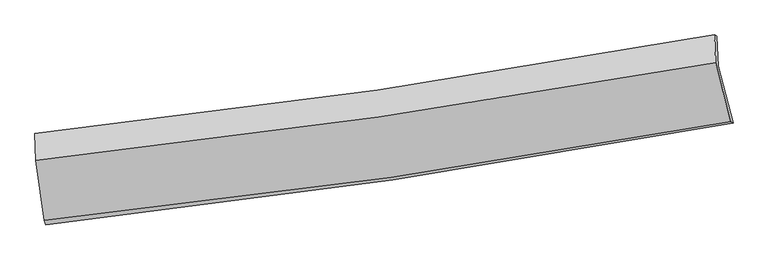
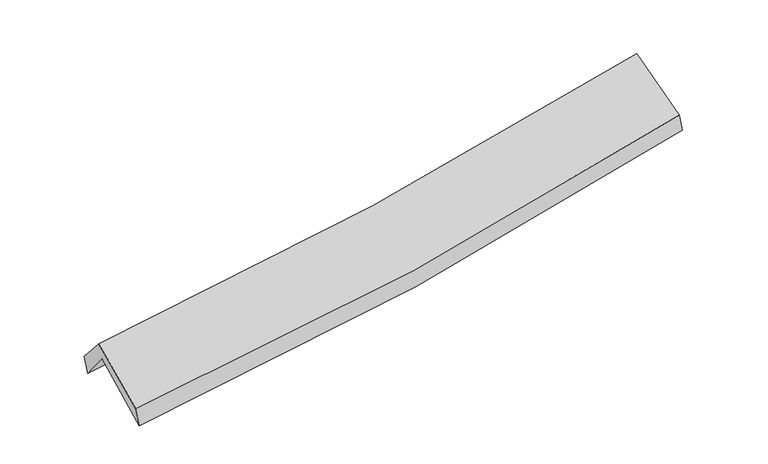
"""IFC4 building model written with IfcOpenShell, lengths in millimetres: proxy geometry."""

import ifcopenshell
import ifcopenshell.guid

model = None  # the IFC model being written
_history = None  # IfcOwnerHistory: only IFC2X3 demands one
_inside = {}  # id of a spatial element -> (the spatial element, [elements in it])
_under = {}  # id of a project, library or spatial element -> (it, [spatial elements below it])
_declared = {}  # id of a project -> (the project, [libraries it declares])
_typed = {}  # id of a type object -> (the type object, [elements of that type])
_made_of = {}  # id of a material, layer set ... -> (it, [elements and type objects made of it])


def new_model(schema):
    """Start an empty IFC model of exactly this schema.

    Asked for "IFC4X3", IfcOpenShell would pick the latest addendum, in which some entities
    have other attributes; the version numbers below select the first issue.
    IFC2X3 requires an IfcOwnerHistory on every rooted entity: one is made here for all.
    """
    global model, _history
    if schema == "IFC4X3":
        model = ifcopenshell.file(schema_version=(4, 3, 0, 0))
    else:
        model = ifcopenshell.file(schema=schema)
    _inside.clear()
    _under.clear()
    _declared.clear()
    _typed.clear()
    _made_of.clear()
    _history = None
    if model.schema == "IFC2X3":
        org = make("IfcOrganization", Name="unknown")
        user = make(
            "IfcPersonAndOrganization",
            ThePerson=make("IfcPerson", FamilyName="unknown"),
            TheOrganization=org,
        )
        app = make(
            "IfcApplication",
            ApplicationDeveloper=org,
            Version="unknown",
            ApplicationFullName="unknown",
            ApplicationIdentifier="unknown",
        )
        _history = make(
            "IfcOwnerHistory",
            OwningUser=user,
            OwningApplication=app,
            ChangeAction="ADDED",
            CreationDate=0,
        )
    return model


def make(cls, **values):
    """One entity of the class cls with the attributes given. An attribute that is None is left unset."""
    return model.create_entity(
        cls, **{name: value for name, value in values.items() if value is not None}
    )


def rooted(cls, **values):
    """An entity with a GlobalId (a new one), such as an element, a storey or a relation."""
    return make(cls, GlobalId=ifcopenshell.guid.new(), OwnerHistory=_history, **values)


def si_unit(unit_type, name, prefix=None):
    """IfcSIUnit, for example si_unit("LENGTHUNIT", "METRE", prefix="MILLI")."""
    return make("IfcSIUnit", UnitType=unit_type, Prefix=prefix, Name=name)


def assignment(units):
    """IfcUnitAssignment: the units of a project."""
    return None if units is None else make("IfcUnitAssignment", Units=units)


def point(xyz):
    """IfcCartesianPoint."""
    return None if xyz is None else make("IfcCartesianPoint", Coordinates=xyz)


def direction(xyz):
    """IfcDirection."""
    return None if xyz is None else make("IfcDirection", DirectionRatios=xyz)


def frame(location, z_axis=None, x_axis=None):
    """IfcAxis2Placement3D, a coordinate frame: its origin and axes. An axis left out is left unset."""
    return make(
        "IfcAxis2Placement3D",
        Location=point(location),
        Axis=direction(z_axis),
        RefDirection=direction(x_axis),
    )


def origin():
    """The frame at (0, 0, 0) with its axes left unset."""
    return frame((0.0, 0.0, 0.0))


def place(relative_to, where):
    """IfcLocalPlacement: puts the frame where relative to a parent placement (None: the world)."""
    return make(
        "IfcLocalPlacement", PlacementRelTo=relative_to, RelativePlacement=where
    )


def context(
    kind, dimensions, precision=None, world=None, true_north=None, identifier=None
):
    """IfcGeometricRepresentationContext, for example the 3D "Model" context."""
    return make(
        "IfcGeometricRepresentationContext",
        ContextIdentifier=identifier,
        ContextType=kind,
        CoordinateSpaceDimension=dimensions,
        Precision=precision,
        WorldCoordinateSystem=world,
        TrueNorth=true_north,
    )


def project(units=None, contexts=None):
    """IfcProject with its units and contexts."""
    return rooted(
        "IfcProject",
        Name="project",
        RepresentationContexts=contexts,
        UnitsInContext=assignment(units),
    )


def spatial(cls, under=None, at=None, **own):
    """A site, building, storey or space (cls), placed at a placement, below another one or the project."""
    s = rooted(cls, ObjectPlacement=at, **own)
    if under is not None:
        _under.setdefault(under.id(), (under, []))[1].append(s)
    return s


def shape(context_of_items, identifier, shape_type, items):
    """IfcShapeRepresentation: the items that make up one representation, for example the "Body"."""
    return make(
        "IfcShapeRepresentation",
        ContextOfItems=context_of_items,
        RepresentationIdentifier=identifier,
        RepresentationType=shape_type,
        Items=items,
    )


def source(mapping_origin, context_of_items, identifier, shape_type, items):
    """IfcRepresentationMap: a shape defined once, which mapped items show again and again."""
    return make(
        "IfcRepresentationMap",
        MappingOrigin=mapping_origin,
        MappedRepresentation=shape(context_of_items, identifier, shape_type, items),
    )


def transform(
    local_origin,
    x_axis=None,
    y_axis=None,
    z_axis=None,
    scale=None,
    scale2=None,
    scale3=None,
    uniform=True,
):
    """IfcCartesianTransformationOperator3D, or its non-uniform kind. x_axis, y_axis, z_axis: its Axis1, 2, 3."""
    if uniform:
        return make(
            "IfcCartesianTransformationOperator3D",
            Axis1=direction(x_axis),
            Axis2=direction(y_axis),
            LocalOrigin=point(local_origin),
            Scale=scale,
            Axis3=direction(z_axis),
        )
    return make(
        "IfcCartesianTransformationOperator3DnonUniform",
        Axis1=direction(x_axis),
        Axis2=direction(y_axis),
        LocalOrigin=point(local_origin),
        Scale=scale,
        Axis3=direction(z_axis),
        Scale2=scale2,
        Scale3=scale3,
    )


def mapped(mapping_source, mapping_target):
    """IfcMappedItem: shows the shape of a source again, moved by a transform."""
    return make(
        "IfcMappedItem", MappingSource=mapping_source, MappingTarget=mapping_target
    )


def made_of(thing, what):
    """Note that an element or type object is made of a material, layer set ...; save() writes the relation."""
    if what is not None:
        _made_of.setdefault(what.id(), (what, []))[1].append(thing)
    return thing


def element(
    cls,
    number,
    at=None,
    inside=None,
    cuts=None,
    type_object=None,
    material=None,
    context=None,
    identifier="Body",
    shape_type=None,
    held_by="IfcProductDefinitionShape",
    body=None,
    shapes=None,
    **own,
):
    """One element of the class cls, such as IfcWall. Its Tag is "e" and its number.

    at: its placement. inside: the storey or other place that contains it. cuts: it is an
    opening in that element (IfcRelVoidsElement). A single representation is given by context,
    identifier, shape_type and body (its items); several are given by shapes. held_by: the class
    of the entity that holds the representations. save() writes the other relations.
    """
    e = rooted(cls, Tag="e%d" % number, ObjectPlacement=at, **own)
    if body is not None:
        shapes = [shape(context, identifier, shape_type, body)]
    if shapes is not None:
        e.Representation = make(held_by, Representations=shapes)
    if inside is not None:
        _inside.setdefault(inside.id(), (inside, []))[1].append(e)
    if cuts is not None:
        rooted(
            "IfcRelVoidsElement", RelatingBuildingElement=cuts, RelatedOpeningElement=e
        )
    if type_object is not None:
        _typed.setdefault(type_object.id(), (type_object, []))[1].append(e)
    return made_of(e, material)


def aggregate(whole, parts):
    """IfcRelAggregates: a whole, such as a stair, and the parts it consists of."""
    return rooted("IfcRelAggregates", RelatingObject=whole, RelatedObjects=parts)


def save(model, path):
    """Write the relations noted so far, then the file.

    IfcRelAggregates (storeys below a building ...), IfcRelContainedInSpatialStructure (elements
    in a storey), IfcRelDefinesByType, IfcRelAssociatesMaterial and IfcRelDeclares: one each for
    every whole, place, type object, material and project.
    """
    for whole, parts in _under.values():
        aggregate(whole, parts)
    for where, things in _inside.values():
        rooted(
            "IfcRelContainedInSpatialStructure",
            RelatedElements=things,
            RelatingStructure=where,
        )
    for kind, things in _typed.values():
        rooted("IfcRelDefinesByType", RelatedObjects=things, RelatingType=kind)
    for what, things in _made_of.values():
        rooted("IfcRelAssociatesMaterial", RelatedObjects=things, RelatingMaterial=what)
    for by, libraries in _declared.values():
        rooted("IfcRelDeclares", RelatingContext=by, RelatedDefinitions=libraries)
    model.write(path)


def plane_surface(at):
    """IfcPlane: the flat surface through the origin of the frame at, square to its z axis."""
    return make("IfcPlane", Position=at)


def spline_curve(degree, points, multiplicities, knots, weights=None):
    """IfcBSplineCurveWithKnots; with weights, IfcRationalBSplineCurveWithKnots."""
    own = dict(
        Degree=degree,
        ControlPointsList=[point(p) for p in points],
        CurveForm="UNSPECIFIED",
        ClosedCurve=False,
        SelfIntersect=False,
        KnotMultiplicities=multiplicities,
        Knots=knots,
        KnotSpec="UNSPECIFIED",
    )
    if weights is None:
        return make("IfcBSplineCurveWithKnots", **own)
    return make("IfcRationalBSplineCurveWithKnots", WeightsData=weights, **own)


def spline_surface(u_degree, v_degree, points, u_multiplicities, v_multiplicities, u_knots, v_knots, weights=None):
    """IfcBSplineSurfaceWithKnots; with weights, IfcRationalBSplineSurfaceWithKnots. points: one row for each step in u."""
    own = dict(
        UDegree=u_degree,
        VDegree=v_degree,
        ControlPointsList=[[point(p) for p in row] for row in points],
        SurfaceForm="UNSPECIFIED",
        UClosed=False,
        VClosed=False,
        SelfIntersect=False,
        UMultiplicities=u_multiplicities,
        VMultiplicities=v_multiplicities,
        UKnots=u_knots,
        VKnots=v_knots,
        KnotSpec="UNSPECIFIED",
    )
    if weights is None:
        return make("IfcBSplineSurfaceWithKnots", **own)
    return make("IfcRationalBSplineSurfaceWithKnots", WeightsData=weights, **own)


def advanced_brep(points, edges, surfaces, faces):
    """IfcAdvancedBrep: a solid bounded by faces that lie on surfaces and meet in shared edges.

    An edge is (start, end): straight between two places in points (the first is 0);
    or (start, end, curve); or (start, end, curve, False) where it runs against its curve.
    A face is (place in surfaces, loops), or (place, loops, False) where it looks against
    its surface's normal. A loop lists edges by number (the first is 1), with a minus sign
    where the edge is run from its end to its start. The first loop is the outer one.
    """
    corners = [point(p) for p in points]
    vertices = [make("IfcVertexPoint", VertexGeometry=c) for c in corners]
    made = []
    for start, end, *more in edges:
        made.append(
            make(
                "IfcEdgeCurve",
                EdgeStart=vertices[start],
                EdgeEnd=vertices[end],
                EdgeGeometry=more[0] if more else make("IfcPolyline", Points=[corners[start], corners[end]]),
                SameSense=more[1] if len(more) > 1 else True,
            )
        )
    hull = []
    for where, loops, *sense in faces:
        bounds = []
        for j, loop in enumerate(loops):
            ring = [make("IfcOrientedEdge", EdgeElement=made[abs(k) - 1], Orientation=k > 0) for k in loop]
            bounds.append(
                make(
                    "IfcFaceOuterBound" if j == 0 else "IfcFaceBound",
                    Bound=make("IfcEdgeLoop", EdgeList=ring),
                    Orientation=True,
                )
            )
        hull.append(make("IfcAdvancedFace", Bounds=bounds, FaceSurface=surfaces[where], SameSense=sense[0] if sense else True))
    return make("IfcAdvancedBrep", Outer=make("IfcClosedShell", CfsFaces=hull))


def generic_models_076fa959(model_context):
    return source(origin(), model_context, "Body", "AdvancedBrep", [
        advanced_brep(
        [(-2961.4910819, -2524.5449511, 1464.1951207), (-3036.4526266, -2005.0081737, 1893.1238993), (2958.6679422, -1125.7206464, 2404.4068986), (3090.6971606, -1625.7869985, 1989.8446532), (-3044.985645, -1759.301633, 1594.0224191), (2947.9296265, -861.7855413, 2097.1469763), (-3057.6805652, -1719.9284726, 1757.3182037), (2927.4477668, -849.3924854, 2261.0086798), (-3048.6935058, -1959.2735096, 2036.0896265), (2937.3524276, -1092.8373392, 2544.4148862), (-2974.0426687, -2485.5081265, 1625.4453929), (3070.6349135, -1612.5299164, 2148.6419745)],
        [
            (0, 1),
            (1, 2, spline_curve(3, [(-3036.4526266, -2005.0081737, 1893.1238993), (-2025.848085105, -1886.262133436, 1943.157265991), (-1018.791504698, -1753.234013093, 2011.043903816), (979.520731176, -1459.891463457, 2181.779965913), (1970.837673624, -1299.823741482, 2284.320994428), (2958.6679422, -1125.7206464, 2404.4068986)], [4, 2, 4], [0.0, 10.072177205413784, 20.056982625145306])),
            (2, 3),
            (3, 0, spline_curve(3, [(3090.6971606, -1625.7869985, 1989.8446532), (2096.503743607, -1811.150336745, 1855.98714691), (1097.277070441, -1978.481135957, 1745.343518269), (-920.030537986, -2278.38408727, 1569.718965123), (-1938.199945957, -2410.639272191, 1505.146082895), (-2961.4910819, -2524.5449511, 1464.1951207)], [4, 2, 4], [0.0, 9.984805419731522, 20.056982625145306])),
            (1, 4),
            (4, 5, spline_curve(3, [(-3044.985645, -1759.301633, 1594.0224191), (-2033.971986974, -1635.677776242, 1632.02002803), (-1026.897118639, -1498.689061509, 1693.229195764), (970.67326675, -1199.286167779, 1861.338335506), (1961.2368224, -1037.102852139, 1967.837353585), (2947.9296265, -861.7855413, 2097.1469763)], [4, 2, 4], [0.0, 10.021888636094298, 19.95684171811855])),
            (5, 2),
            (4, 6),
            (6, 7, spline_curve(3, [(-3057.6805652, -1719.9284726, 1757.3182037), (-2048.105404719, -1610.364819144, 1807.291026748), (-1042.401229196, -1482.643554721, 1874.509290354), (952.574681301, -1192.151240098, 2042.704011309), (1941.913283141, -1029.69384207, 2143.382573251), (2927.4477668, -849.3924854, 2261.0086798)], [4, 2, 4], [0.0, 10.012468237774451, 19.9380826393643])),
            (7, 5),
            (6, 8),
            (8, 9, spline_curve(3, [(-3048.6935058, -1959.2735096, 2036.0896265), (-2039.023220464, -1848.987961127, 2085.297022227), (-1033.19455553, -1721.251956028, 2152.523843129), (962.087729215, -1432.138461804, 2322.276862111), (1951.607708682, -1271.062410146, 2424.491794243), (2937.3524276, -1092.8373392, 2544.4148862)], [4, 2, 4], [0.0, 10.003382016104988, 19.919989015072755])),
            (9, 7),
            (8, 10),
            (10, 11, spline_curve(3, [(-2974.0426687, -2485.5081265, 1625.4453929), (-1952.347865998, -2378.980252994, 1669.570030727), (-935.604500813, -2252.564970502, 1735.516641), (1079.202496177, -1961.228701134, 1910.292451865), (2077.351658234, -1796.651246666, 2018.744702292), (3070.6349135, -1612.5299164, 2148.6419745)], [4, 2, 4], [0.0, 10.054031280898865, 20.020848184170887])),
            (11, 9),
            (10, 0),
            (3, 11),
        ],
        [
            spline_surface(3, 3, [[(-2961.4910819, -2524.5449511, 1464.1951207), (-1938.199945964, -2410.639272356, 1505.146082745), (-920.030538122, -2278.384087363, 1569.718965082), (1097.277070576, -1978.481135865, 1745.34351831), (2096.503743525, -1811.150336632, 1855.987146816), (3090.6971606, -1625.7869985, 1989.8446532)], [(-2986.47826347, -2351.366025319, 1607.17138022), (-1967.415992399, -2235.846892768, 1651.149810486), (-952.950860327, -2103.334062564, 1716.827278056), (1058.024957428, -1805.61791174, 1890.822334157), (2054.61505351, -1640.708138306, 1998.765095966), (3046.687421119, -1459.098214483, 2128.032068332)], [(-3011.46544503, -2178.187099481, 1750.14763978), (-1996.632038823, -2061.054513124, 1797.153538266), (-985.87118249, -1928.284037812, 1863.935590968), (1018.772844321, -1632.754687662, 2036.301149941), (2012.726363539, -1470.265939932, 2141.543045121), (3002.677681681, -1292.409430417, 2266.219483468)], [(-3036.4526266, -2005.0081737, 1893.1238993), (-2025.848085257, -1886.262133536, 1943.157266007), (-1018.791504694, -1753.234013013, 2011.043903942), (979.520731172, -1459.891463536, 2181.779965788), (1970.837673524, -1299.823741606, 2284.320994271), (2958.6679422, -1125.7206464, 2404.4068986)]], [4, 4], [4, 2, 4], [0.0, 2.265239817828733], [0.0, 10.072177205413784, 20.056982625145306]),
            spline_surface(3, 3, [[(-3036.4526266, -2005.0081737, 1893.1238993), (-2025.848085257, -1886.262133536, 1943.157266007), (-1018.791504694, -1753.234013013, 2011.043903942), (979.520731172, -1459.891463536, 2181.779965788), (1970.837673524, -1299.823741606, 2284.320994271), (2958.6679422, -1125.7206464, 2404.4068986)], [(-3039.296966062, -1923.105993471, 1793.423405905), (-2028.556052528, -1802.73401445, 1839.444853383), (-1021.493376024, -1668.385695824, 1905.105667904), (976.571576436, -1373.023031628, 2074.966088998), (1967.637389816, -1212.25011175, 2178.826447326), (2955.088503648, -1037.74227802, 2301.986924496)], [(-3042.141305538, -1841.203813229, 1693.722912495), (-2031.264019812, -1719.205895352, 1735.732440743), (-1024.195247438, -1583.53737865, 1799.167431878), (973.622421614, -1286.154599735, 1968.152212221), (1964.437106063, -1124.676481935, 2073.331900393), (2951.509065052, -949.76390968, 2199.566950404)], [(-3044.985645, -1759.301633, 1594.0224191), (-2033.971987083, -1635.677776265, 1632.020028118), (-1026.897118768, -1498.68906146, 1693.229195839), (970.673266878, -1199.286167827, 1861.338335432), (1961.236822355, -1037.10285208, 1967.837353448), (2947.9296265, -861.7855413, 2097.1469763)]], [4, 4], [4, 2, 4], [0.0, 1.3456980147046913], [0.0, 10.021888636094298, 19.95684171811855]),
            spline_surface(3, 3, [[(-3044.985645, -1759.301633, 1594.0224191), (-2033.971987083, -1635.677776265, 1632.020028118), (-1026.897118768, -1498.68906146, 1693.229195839), (970.673266878, -1199.286167827, 1861.338335432), (1961.236822355, -1037.10285208, 1967.837353448), (2947.9296265, -861.7855413, 2097.1469763)], [(-3049.217285069, -1746.177246192, 1648.454347301), (-2038.683126244, -1627.240123932, 1690.443694352), (-1032.065155579, -1493.340559261, 1753.655893954), (964.64040498, -1196.907858525, 1921.793560735), (1954.795642608, -1034.633182034, 2026.352426746), (2941.102339929, -857.654522662, 2151.767544127)], [(-3053.448925131, -1733.052859408, 1702.886275499), (-2043.394265398, -1618.802471623, 1748.867360584), (-1037.23319233, -1487.992057079, 1814.082592137), (958.607543144, -1194.529549241, 1982.248786107), (1948.354462873, -1032.163512002, 2084.867500062), (2934.275053371, -853.523504038, 2206.388111973)], [(-3057.6805652, -1719.9284726, 1757.3182037), (-2048.105404559, -1610.36481929, 1807.291026818), (-1042.401229141, -1482.643554881, 1874.509290252), (952.574681247, -1192.15123994, 2042.70401141), (1941.913283125, -1029.693841957, 2143.38257336), (2927.4477668, -849.3924854, 2261.0086798)]], [4, 4], [4, 2, 4], [0.0, 0.5986510500848121], [0.0, 10.012468237774451, 19.9380826393643]),
            spline_surface(3, 3, [[(-3057.6805652, -1719.9284726, 1757.3182037), (-2048.105404559, -1610.36481929, 1807.291026818), (-1042.401229141, -1482.643554881, 1874.509290252), (952.574681247, -1192.15123994, 2042.70401141), (1941.913283125, -1029.693841957, 2143.38257336), (2927.4477668, -849.3924854, 2261.0086798)], [(-3054.68487871, -1799.710151602, 1850.242011295), (-2045.078009858, -1689.905866573, 1899.959691923), (-1039.332337921, -1562.17968858, 1967.180807932), (955.745697251, -1272.146980613, 2135.894961625), (1945.144758311, -1110.150031421, 2237.085646959), (2930.749320395, -930.540770021, 2355.477415269)], [(-3051.68919229, -1879.491830598, 1943.165818905), (-2042.050615229, -1769.446913848, 1992.628357042), (-1036.263446747, -1641.715822225, 2059.852325559), (958.916713208, -1352.142721233, 2229.085911788), (1948.376233513, -1190.606220821, 2330.788720551), (2934.050874005, -1011.689054579, 2449.946150731)], [(-3048.6935058, -1959.2735096, 2036.0896265), (-2039.023220528, -1848.987961131, 2085.297022148), (-1033.194555527, -1721.251955924, 2152.523843238), (962.087729212, -1432.138461907, 2322.276862003), (1951.607708698, -1271.062410285, 2424.49179415), (2937.3524276, -1092.8373392, 2544.4148862)]], [4, 4], [4, 2, 4], [0.0, 1.2057715390870238], [0.0, 10.003382016104988, 19.919989015072755]),
            spline_surface(3, 3, [[(-3048.6935058, -1959.2735096, 2036.0896265), (-2039.023220528, -1848.987961131, 2085.297022148), (-1033.194555527, -1721.251955924, 2152.523843238), (962.087729212, -1432.138461907, 2322.276862003), (1951.607708698, -1271.062410285, 2424.49179415), (2937.3524276, -1092.8373392, 2544.4148862)], [(-3023.809893442, -2134.685048559, 1899.208215284), (-2010.131435645, -2025.652058386, 1946.721358341), (-1000.66453728, -1898.356294131, 2013.521442491), (1001.125984823, -1608.501874929, 2184.948725285), (1993.522358598, -1446.258689048, 2289.242763479), (2981.779922914, -1266.068198239, 2412.490582302)], [(-2998.926281058, -2310.096587541, 1762.326804116), (-1981.239650734, -2202.316155665, 1808.145694582), (-968.134518981, -2075.460632398, 1874.519041753), (1040.164240486, -1784.86528801, 2047.620588576), (2035.437008457, -1621.454967896, 2153.9937328), (3026.207418186, -1439.299057361, 2280.566278398)], [(-2974.0426687, -2485.5081265, 1625.4453929), (-1952.347865851, -2378.980252921, 1669.570030776), (-935.604500734, -2252.564970605, 1735.516641006), (1079.202496098, -1961.228701032, 1910.292451859), (2077.351658357, -1796.651246659, 2018.744702129), (3070.6349135, -1612.5299164, 2148.6419745)]], [4, 4], [4, 2, 4], [0.0, 2.235922823330475], [0.0, 10.054031280898865, 20.020848184170887]),
            spline_surface(3, 3, [[(-2974.0426687, -2485.5081265, 1625.4453929), (-1952.347865851, -2378.980252921, 1669.570030776), (-935.604500734, -2252.564970605, 1735.516641006), (1079.202496098, -1961.228701032, 1910.292451859), (2077.351658357, -1796.651246659, 2018.744702129), (3070.6349135, -1612.5299164, 2148.6419745)], [(-2969.858806447, -2498.520401357, 1571.695302195), (-1947.631892569, -2389.533259389, 1614.762048127), (-930.413179856, -2261.171342886, 1680.250749023), (1085.227354265, -1966.979512672, 1855.309474001), (2083.735686742, -1801.484276659, 1964.492183698), (3077.322329196, -1616.948943776, 2095.709534074)], [(-2965.674944153, -2511.532676243, 1517.945211405), (-1942.915919247, -2400.086265887, 1559.954065394), (-925.221859, -2269.777715081, 1624.984857065), (1091.252212409, -1972.730324225, 1800.326496168), (2090.11971514, -1806.317306632, 1910.239665246), (3084.009744904, -1621.367971124, 2042.777093626)], [(-2961.4910819, -2524.5449511, 1464.1951207), (-1938.199945964, -2410.639272356, 1505.146082745), (-920.030538122, -2278.384087363, 1569.718965082), (1097.277070576, -1978.481135865, 1745.34351831), (2096.503743525, -1811.150336632, 1855.987146816), (3090.6971606, -1625.7869985, 1989.8446532)]], [4, 4], [4, 2, 4], [0.0, 0.5499456004048403], [0.0, 10.113557243801424, 20.13938374796537]),
            plane_surface(frame((2988.7883062, -1194.6754879, 2240.9106781), z_axis=(0.9797137496108232, 0.1676590904205633, 0.10977886054633135), x_axis=(0.19991555401676428, -0.7795069902793095, -0.5936350927698454))),
            plane_surface(frame((-3020.5576822, -2075.5941444, 1728.365777), z_axis=(-0.9936225298187729, -0.09937247776669661, -0.053285822683427145), x_axis=(-0.07543823803067166, 0.23462127301452224, 0.9691552664521165))),
        ],
        [
            (0, [[1, 2, 3, 4]]),
            (1, [[5, 6, 7, -2]]),
            (2, [[8, 9, 10, -6]]),
            (3, [[11, 12, 13, -9]]),
            (4, [[14, 15, 16, -12]]),
            (5, [[17, -4, 18, -15]]),
            (6, [[-16, -18, -3, -7, -10, -13]]),
            (7, [[-17, -14, -11, -8, -5, -1]]),
        ],
    ),
    ])


if __name__ == "__main__":
    model = new_model("IFC4")
    model_context = context("Model", 3, world=origin())
    ifc_project = project(units=[si_unit("LENGTHUNIT", "METRE", prefix="MILLI")], contexts=[model_context])
    site = spatial("IfcSite", under=ifc_project)
    building = spatial("IfcBuilding", under=site)
    placement = place(None, origin())
    generic_models_shape = generic_models_076fa959(model_context)
    element("IfcBuildingElementProxy", 1, Name="Generic Models", at=placement, inside=building, context=model_context, shape_type="MappedRepresentation", body=[
        mapped(generic_models_shape, transform((0.0, 0.0, 0.0), x_axis=(1.0, 0.0, 0.0), y_axis=(0.0, 1.0, 0.0), z_axis=(0.0, 0.0, 1.0))),
    ])
    save(model, "model.ifc")
